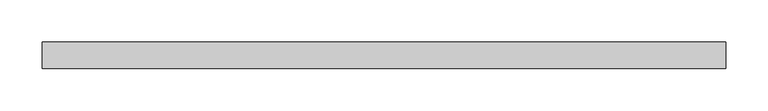
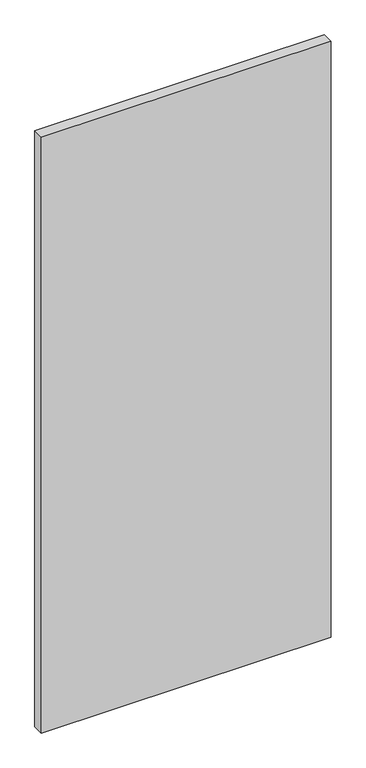
"""IFC4 building model written with IfcOpenShell, lengths in millimetres: plate geometry."""

from ifc_helpers import new_model, si_unit, origin, origin_with_axes, place, context, project, spatial, polyline, outline, extrude, source, transform, mapped, element, save


def plate_54d21541(model_context):
    return source(origin(), model_context, "Body", "SweptSolid", [
        extrude(outline(polyline([(405.0562088, -15.875), (-405.0562088, -15.875), (-405.0562088, 15.875), (405.0562088, 15.875), (405.0562088, -15.875)])), origin_with_axes(), (0.0, 0.0, 1.0), 1761.2320313),
    ])


if __name__ == "__main__":
    model = new_model("IFC4")
    model_context = context("Model", 3, world=origin())
    ifc_project = project(units=[si_unit("LENGTHUNIT", "METRE", prefix="MILLI")], contexts=[model_context])
    site = spatial("IfcSite", under=ifc_project)
    building = spatial("IfcBuilding", under=site)
    placement = place(None, origin())
    plate_shape = plate_54d21541(model_context)
    element("IfcPlate", 1, at=placement, inside=building, context=model_context, shape_type="MappedRepresentation", body=[
        mapped(plate_shape, transform((0.0, 0.0, 0.0), x_axis=(1.0, 0.0, 0.0), y_axis=(0.0, 1.0, 0.0), z_axis=(0.0, 0.0, 1.0))),
    ])
    save(model, "model.ifc")
